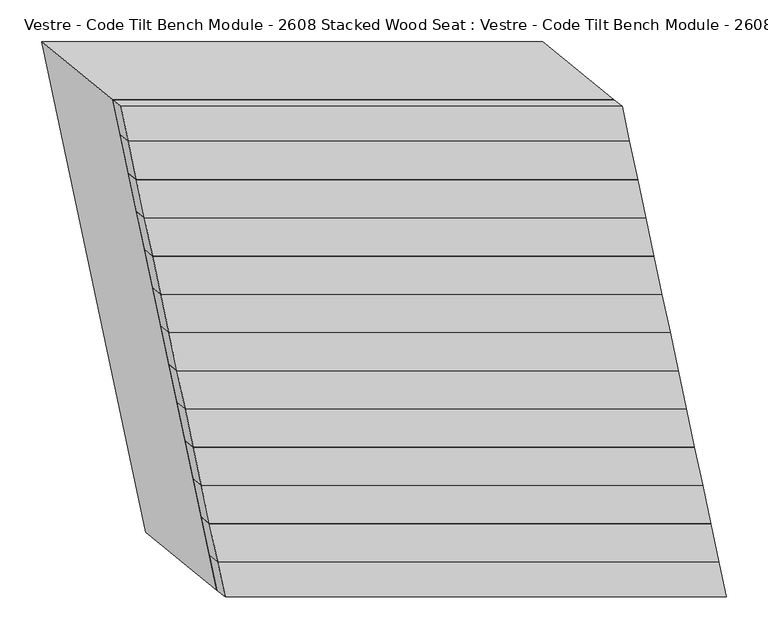
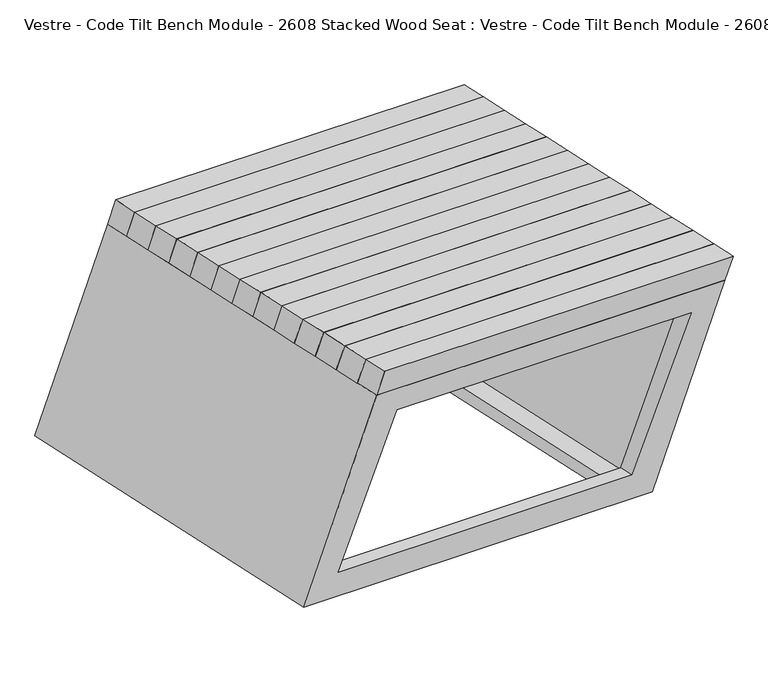
"""IFC4 building model written with IfcOpenShell, lengths in millimetres: furniture geometry, Vestre - Code Tilt Bench Module - 2608 Stacked Wood Seat : Vestre - Code Tilt Bench Module - 2608 Stacked Wood Seat."""

from ifc_helpers import new_model, si_unit, origin, place, context, project, spatial, faceted_brep, source, transform, mapped, element, save


def vestre_code_tilt_bench_module_2608_stacked_wood_seat_vestre_821d98b8(model_context):
    return source(origin(), model_context, "Body", "Brep", [
        faceted_brep([(244.0437897, 104.6578383, 862.9456861), (-355.9562103, 104.6578383, 862.9456861), (-346.2319436, 58.9087607, 862.9456861), (253.7680564, 58.9087607, 862.9456861), (234.3979186, 112.5534159, 817.7590999), (244.1221852, 66.8043382, 817.7590999), (-355.8778148, 66.8043382, 817.7590999), (-365.6020814, 112.5534159, 817.7590999)], [[[0, 1, 2, 3]], [[4, 5, 6, 7]], [[4, 7, 1, 0]], [[7, 6, 2, 1]], [[6, 5, 3, 2]], [[5, 4, 0, 3]]]),
        faceted_brep([(253.7680564, 58.9087607, 862.9456861), (-346.2319436, 58.9087607, 862.9456861), (-336.507677, 13.159683, 862.9456861), (263.492323, 13.159683, 862.9456861), (244.1221852, 66.8043382, 817.7590999), (253.8464519, 21.0552605, 817.7590999), (-346.1535481, 21.0552605, 817.7590999), (-355.8778148, 66.8043382, 817.7590999)], [[[0, 1, 2, 3]], [[4, 5, 6, 7]], [[4, 7, 1, 0]], [[7, 6, 2, 1]], [[6, 5, 3, 2]], [[5, 4, 0, 3]]]),
        faceted_brep([(263.492323, 13.159683, 862.9456861), (-336.507677, 13.159683, 862.9456861), (-326.7834103, -32.5893947, 862.9456861), (273.2165897, -32.5893947, 862.9456861), (253.8464519, 21.0552605, 817.7590999), (263.5707185, -24.6938171, 817.7590999), (-336.4292815, -24.6938171, 817.7590999), (-346.1535481, 21.0552605, 817.7590999)], [[[0, 1, 2, 3]], [[4, 5, 6, 7]], [[4, 7, 1, 0]], [[7, 6, 2, 1]], [[6, 5, 3, 2]], [[5, 4, 0, 3]]]),
        faceted_brep([(273.2165897, -32.5893947, 862.9456861), (-326.7834103, -32.5893947, 862.9456861), (-317.0591437, -78.3384723, 862.9456861), (282.9408563, -78.3384723, 862.9456861), (263.5707185, -24.6938171, 817.7590999), (273.2949852, -70.4428948, 817.7590999), (-326.7050148, -70.4428948, 817.7590999), (-336.4292815, -24.6938171, 817.7590999)], [[[0, 1, 2, 3]], [[4, 5, 6, 7]], [[4, 7, 1, 0]], [[7, 6, 2, 1]], [[6, 5, 3, 2]], [[5, 4, 0, 3]]]),
        faceted_brep([(282.9408563, -78.3384723, 862.9456861), (-317.0591437, -78.3384723, 862.9456861), (-307.334877, -124.08755, 862.9456861), (292.665123, -124.08755, 862.9456861), (273.2949852, -70.4428948, 817.7590999), (283.0192518, -116.1919724, 817.7590999), (-316.9807482, -116.1919724, 817.7590999), (-326.7050148, -70.4428948, 817.7590999)], [[[0, 1, 2, 3]], [[4, 5, 6, 7]], [[4, 7, 1, 0]], [[7, 6, 2, 1]], [[6, 5, 3, 2]], [[5, 4, 0, 3]]]),
        faceted_brep([(292.665123, -124.08755, 862.9456861), (-307.334877, -124.08755, 862.9456861), (-297.6106104, -169.8366276, 862.9456861), (302.3893896, -169.8366276, 862.9456861), (283.0192518, -116.1919724, 817.7590999), (292.7435185, -161.9410501, 817.7590999), (-307.2564815, -161.9410501, 817.7590999), (-316.9807482, -116.1919724, 817.7590999)], [[[0, 1, 2, 3]], [[4, 5, 6, 7]], [[4, 7, 1, 0]], [[7, 6, 2, 1]], [[6, 5, 3, 2]], [[5, 4, 0, 3]]]),
        faceted_brep([(302.3893896, -169.8366276, 862.9456861), (-297.6106104, -169.8366276, 862.9456861), (-287.8863437, -215.5857053, 862.9456861), (312.1136563, -215.5857053, 862.9456861), (292.7435185, -161.9410501, 817.7590999), (302.4677851, -207.6901278, 817.7590999), (-297.5322149, -207.6901278, 817.7590999), (-307.2564815, -161.9410501, 817.7590999)], [[[0, 1, 2, 3]], [[4, 5, 6, 7]], [[4, 7, 1, 0]], [[7, 6, 2, 1]], [[6, 5, 3, 2]], [[5, 4, 0, 3]]]),
        faceted_brep([(312.1136563, -215.5857053, 862.9456861), (-287.8863437, -215.5857053, 862.9456861), (-278.1620771, -261.334783, 862.9456861), (321.8379229, -261.334783, 862.9456861), (302.4677851, -207.6901278, 817.7590999), (312.1920518, -253.4392054, 817.7590999), (-287.8079482, -253.4392054, 817.7590999), (-297.5322149, -207.6901278, 817.7590999)], [[[0, 1, 2, 3]], [[4, 5, 6, 7]], [[4, 7, 1, 0]], [[7, 6, 2, 1]], [[6, 5, 3, 2]], [[5, 4, 0, 3]]]),
        faceted_brep([(321.8379229, -261.334783, 862.9456861), (-278.1620771, -261.334783, 862.9456861), (-268.4378105, -307.0838606, 862.9456861), (331.5621895, -307.0838606, 862.9456861), (312.1920518, -253.4392054, 817.7590999), (321.9163184, -299.1882831, 817.7590999), (-278.0836816, -299.1882831, 817.7590999), (-287.8079482, -253.4392054, 817.7590999)], [[[0, 1, 2, 3]], [[4, 5, 6, 7]], [[4, 7, 1, 0]], [[7, 6, 2, 1]], [[6, 5, 3, 2]], [[5, 4, 0, 3]]]),
        faceted_brep([(331.5621895, -307.0838606, 862.9456861), (-268.4378105, -307.0838606, 862.9456861), (-258.7135438, -352.8329383, 862.9456861), (341.2864562, -352.8329383, 862.9456861), (321.9163184, -299.1882831, 817.7590999), (331.6405851, -344.9373608, 817.7590999), (-268.3594149, -344.9373608, 817.7590999), (-278.0836816, -299.1882831, 817.7590999)], [[[0, 1, 2, 3]], [[4, 5, 6, 7]], [[4, 7, 1, 0]], [[7, 6, 2, 1]], [[6, 5, 3, 2]], [[5, 4, 0, 3]]]),
        faceted_brep([(341.2864562, -352.8329383, 862.9456861), (-258.7135438, -352.8329383, 862.9456861), (-248.9892772, -398.5820159, 862.9456861), (351.0107228, -398.5820159, 862.9456861), (331.6405851, -344.9373608, 817.7590999), (341.3648517, -390.6864384, 817.7590999), (-258.6351483, -390.6864384, 817.7590999), (-268.3594149, -344.9373608, 817.7590999)], [[[0, 1, 2, 3]], [[4, 5, 6, 7]], [[4, 7, 1, 0]], [[7, 6, 2, 1]], [[6, 5, 3, 2]], [[5, 4, 0, 3]]]),
        faceted_brep([(235.1533674, 146.4839869, 862.9456861), (-364.8466326, 146.4839869, 862.9456861), (-355.9562103, 104.6578383, 862.9456861), (244.0437897, 104.6578383, 862.9456861), (225.5082596, 154.3759734, 817.7590999), (234.3979186, 112.5534159, 817.7590999), (-365.6020814, 112.5534159, 817.7590999), (-374.4917404, 154.3759734, 817.7590999)], [[[0, 1, 2, 3]], [[4, 5, 6, 7]], [[4, 7, 1, 0]], [[7, 6, 2, 1]], [[6, 5, 3, 2]], [[5, 4, 0, 3]]]),
        faceted_brep([(-249.744726, -432.512587, 817.7590999), (350.255274, -432.512587, 817.7590999), (225.5082596, 154.3759734, 817.7590999), (-374.4917404, 154.3759734, 817.7590999), (287.594671, -381.7550373, 817.7590999), (-208.6618234, -381.7550373, 817.7590999), (-314.2670481, 115.0784827, 817.7590999), (181.9894462, 115.0784827, 817.7590999), (-334.6932278, -362.9784336, 419.8134138), (-459.4402423, 223.9101268, 419.8134138), (140.5597577, 223.9101268, 419.8134138), (265.3067722, -362.9784336, 419.8134138), (-293.6103253, -312.2208839, 419.8134138), (202.6461691, -312.2208839, 419.8134138), (99.0835894, 175.0027468, 419.8134138), (-397.172905, 175.0027468, 419.8134138), (-209.3488955, -424.6378724, 772.6919126), (296.709699, -424.6378724, 772.6919126), (225.0941493, -371.7150723, 469.8134138), (-280.9644451, -371.7150723, 469.8134138), (284.0453984, -378.8497987, 801.1323473), (-212.211096, -378.8497987, 801.1323473), (-289.5258429, -315.5642157, 438.9473846), (206.7306515, -315.5642157, 438.9473846), (178.5255183, 117.5822061, 801.1323473), (103.0698576, 172.1214764, 438.9473846), (-317.730976, 117.5822061, 801.1323473), (-393.1866367, 172.1214764, 438.9473846), (-215.0563962, -397.7861927, 772.6919126), (291.0021983, -397.7861927, 772.6919126), (219.9541961, -347.5334936, 469.8134138), (-286.1043984, -347.5334936, 469.8134138), (-224.6981062, -402.504945, 801.1323473), (-340.5414324, 142.495055, 801.1323473), (201.2990829, 142.495055, 801.1323473), (317.142409, -402.504945, 801.1323473), (-322.5535579, -342.4122939, 438.9473846), (246.6076242, -342.4122939, 438.9473846), (131.2549878, 200.279193, 438.9473846), (-437.9061944, 200.279193, 438.9473846)], [[[0, 1, 2, 3], [4, 5, 6, 7]], [[8, 9, 10, 11], [12, 13, 14, 15]], [[1, 0, 8, 11], [16, 17, 18, 19]], [[2, 1, 11, 10]], [[3, 2, 10, 9]], [[0, 3, 9, 8]], [[5, 4, 20, 21]], [[13, 12, 22, 23]], [[4, 7, 24, 20]], [[14, 13, 23, 25]], [[7, 6, 26, 24]], [[15, 14, 25, 27]], [[6, 5, 21, 26]], [[12, 15, 27, 22]], [[17, 16, 28, 29]], [[19, 18, 30, 31]], [[18, 17, 29, 30]], [[16, 19, 31, 28]], [[32, 33, 34, 35], [21, 20, 24, 26]], [[36, 37, 38, 39], [23, 22, 27, 25]], [[32, 35, 37, 36], [29, 28, 31, 30]], [[35, 34, 38, 37]], [[34, 33, 39, 38]], [[33, 32, 36, 39]]]),
        faceted_brep([(351.0107228, -398.5820159, 862.9456861), (-248.9892772, -398.5820159, 862.9456861), (-240.0988548, -440.4081645, 862.9456861), (359.9011452, -440.4081645, 862.9456861), (341.3648517, -390.6864384, 817.7590999), (350.255274, -432.512587, 817.7590999), (-249.744726, -432.512587, 817.7590999), (-258.6351483, -390.6864384, 817.7590999)], [[[0, 1, 2, 3]], [[4, 5, 6, 7]], [[4, 7, 1, 0]], [[7, 6, 2, 1]], [[6, 5, 3, 2]], [[5, 4, 0, 3]]]),
    ])


if __name__ == "__main__":
    model = new_model("IFC4")
    model_context = context("Model", 3, world=origin())
    ifc_project = project(units=[si_unit("LENGTHUNIT", "METRE", prefix="MILLI")], contexts=[model_context])
    site = spatial("IfcSite", under=ifc_project)
    building = spatial("IfcBuilding", under=site)
    placement = place(None, origin())
    vestre_code_tilt_bench_module_2608_stacked_wood_seat_vestre_shape = vestre_code_tilt_bench_module_2608_stacked_wood_seat_vestre_821d98b8(model_context)
    element("IfcFurniture", 1, ObjectType="Vestre - Code Tilt Bench Module - 2608 Stacked Wood Seat : Vestre - Code Tilt Bench Module - 2608 Stacked Wood Seat", at=placement, inside=building, context=model_context, shape_type="MappedRepresentation", body=[
        mapped(vestre_code_tilt_bench_module_2608_stacked_wood_seat_vestre_shape, transform((0.0, 0.0, 0.0), x_axis=(1.0, 0.0, 0.0), y_axis=(0.0, 1.0, 0.0), z_axis=(0.0, 0.0, 1.0))),
    ])
    save(model, "model.ifc")
